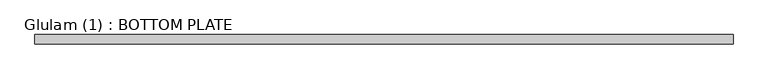
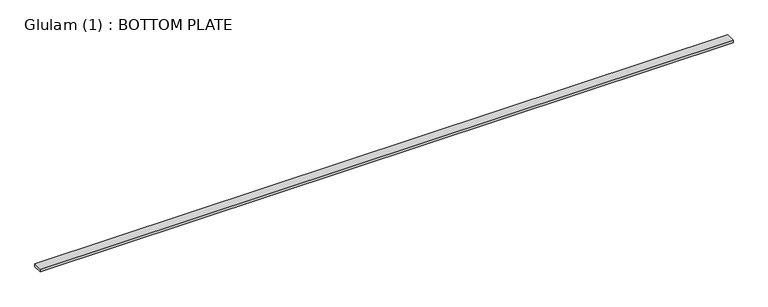
"""IFC4 building model written with IfcOpenShell, lengths in millimetres: beam geometry, Glulam (1) : BOTTOM PLATE."""

from ifc_helpers import new_model, si_unit, frame, origin, place, context, project, spatial, polyline, outline, extrude, source, transform, mapped, element, save


def glulam_1_bottom_plate_e2482609(model_context):
    return source(origin(), model_context, "Body", "SweptSolid", [
        extrude(outline(polyline([(5320.5, 70.0), (5320.5, -70.0), (-5320.5, -70.0), (-5320.5, 70.0), (5320.5, 70.0)])), frame((0.0, 0.0, -22.5), z_axis=(0.0, 0.0, 1.0), x_axis=(1.0, 0.0, 0.0)), (0.0, 0.0, 1.0), 45.0),
    ])


if __name__ == "__main__":
    model = new_model("IFC4")
    model_context = context("Model", 3, world=origin())
    ifc_project = project(units=[si_unit("LENGTHUNIT", "METRE", prefix="MILLI")], contexts=[model_context])
    site = spatial("IfcSite", under=ifc_project)
    building = spatial("IfcBuilding", under=site)
    placement = place(None, origin())
    glulam_1_bottom_plate_shape = glulam_1_bottom_plate_e2482609(model_context)
    element("IfcBeam", 1, ObjectType="Glulam (1) : BOTTOM PLATE", at=placement, inside=building, context=model_context, shape_type="MappedRepresentation", body=[
        mapped(glulam_1_bottom_plate_shape, transform((0.0, 0.0, 0.0), x_axis=(1.0, 0.0, 0.0), y_axis=(0.0, 1.0, 0.0), z_axis=(0.0, 0.0, 1.0))),
    ])
    save(model, "model.ifc")
